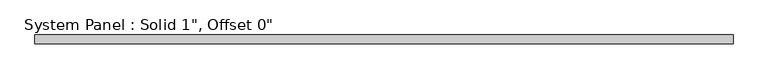
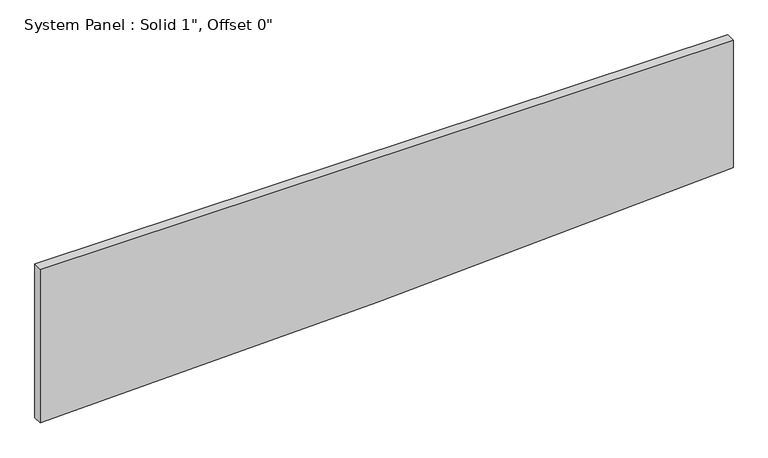
"""IFC4 building model written with IfcOpenShell, lengths in millimetres: plate geometry."""

from ifc_helpers import new_model, si_unit, frame, origin, place, context, project, spatial, polyline, outline, extrude, source, transform, mapped, element, save


def plate_1ac21aa8(model_context):
    return source(origin(), model_context, "Body", "SweptSolid", [
        extrude(outline(polyline([(0.0, -981.075), (27.7196914, -23.3309929), (78.6122122, 981.075), (460.4313158, 981.075), (460.4313158, -981.075), (0.0, -981.075)])), frame((0.0, -12.7, 0.0), z_axis=(0.0, 1.0, 0.0), x_axis=(0.0, 0.0, 1.0)), (0.0, 0.0, 1.0), 25.4),
    ])


if __name__ == "__main__":
    model = new_model("IFC4")
    model_context = context("Model", 3, world=origin())
    ifc_project = project(units=[si_unit("LENGTHUNIT", "METRE", prefix="MILLI")], contexts=[model_context])
    site = spatial("IfcSite", under=ifc_project)
    building = spatial("IfcBuilding", under=site)
    placement = place(None, origin())
    plate_shape = plate_1ac21aa8(model_context)
    element("IfcPlate", 1, ObjectType="System Panel : Solid 1\", Offset 0\"", at=placement, inside=building, context=model_context, shape_type="MappedRepresentation", body=[
        mapped(plate_shape, transform((0.0, 0.0, 0.0), x_axis=(1.0, 0.0, 0.0), y_axis=(0.0, 1.0, 0.0), z_axis=(0.0, 0.0, 1.0))),
    ])
    save(model, "model.ifc")
